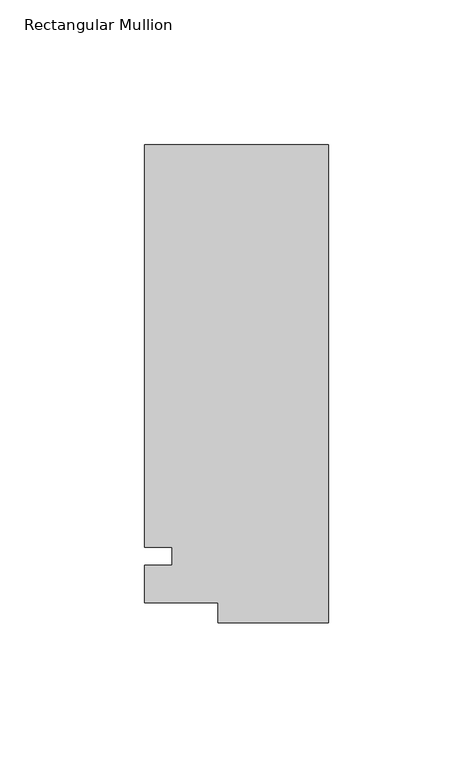
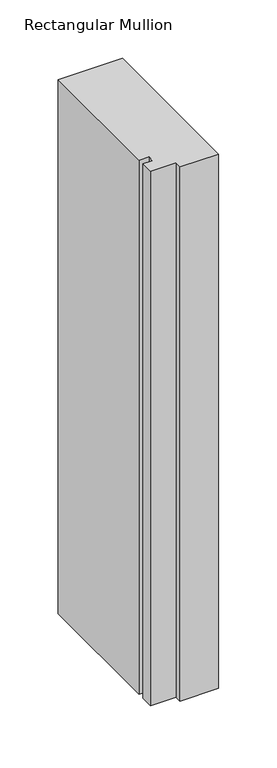
"""IFC4 building model written with IfcOpenShell, lengths in millimetres: member geometry, Rectangular Mullion."""

from ifc_helpers import new_model, si_unit, frame, origin, place, context, project, spatial, polyline, outline, extrude, source, transform, mapped, element, save


def rectangular_mullion_36170dff(model_context):
    return source(origin(), model_context, "Body", "SweptSolid", [
        extrude(outline(polyline([(-38.1, -32.54375), (-38.1, -25.58415), (-63.5, -25.58415), (-63.5, -12.7), (-53.975, -12.7), (-53.975, -6.35), (-63.5, -6.35), (-63.5, 132.55625), (0.0, 132.55625), (0.0, -32.54375), (-38.1, -32.54375)])), frame((0.0, 0.0, -558.8), z_axis=(0.0, 0.0, 1.0), x_axis=(1.0, 0.0, 0.0)), (0.0, 0.0, 1.0), 558.8),
    ])


if __name__ == "__main__":
    model = new_model("IFC4")
    model_context = context("Model", 3, world=origin())
    ifc_project = project(units=[si_unit("LENGTHUNIT", "METRE", prefix="MILLI")], contexts=[model_context])
    site = spatial("IfcSite", under=ifc_project)
    building = spatial("IfcBuilding", under=site)
    placement = place(None, origin())
    rectangular_mullion_shape = rectangular_mullion_36170dff(model_context)
    element("IfcMember", 1, ObjectType="Rectangular Mullion", at=placement, inside=building, context=model_context, shape_type="MappedRepresentation", body=[
        mapped(rectangular_mullion_shape, transform((0.0, 0.0, 0.0), x_axis=(1.0, 0.0, 0.0), y_axis=(0.0, 1.0, 0.0), z_axis=(0.0, 0.0, 1.0))),
    ])
    save(model, "model.ifc")
